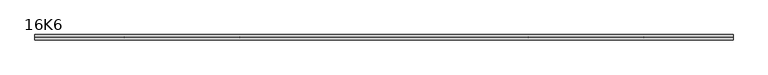
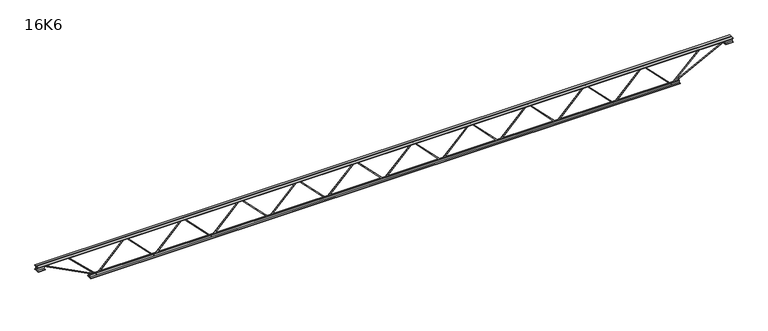
"""IFC4 building model written with IfcOpenShell, lengths in millimetres: beam geometry, 16K6."""

from ifc_helpers import new_model, si_unit, frame, origin, place, context, project, spatial, polyline, outline, extrude, source, transform, mapped, element, save


def beam_16k6_747feb70(model_context):
    return source(origin(), model_context, "Body", "SweptSolid", [
        extrude(outline(polyline([(-191.9, 2334.3), (-201.4, 2334.3), (-201.4, 2339.4806286), (191.9, 2722.1806286), (191.9, 2724.5193714), (-201.4, 3107.2193714), (-201.4, 3112.4), (-191.9, 3112.4), (-191.9, 3111.2306286), (201.4, 2728.5306286), (201.4, 2718.1693714), (-191.9, 2335.4693714), (-191.9, 2334.3)])), frame((0.0, -4.75, 0.0), z_axis=(0.0, 1.0, 0.0), x_axis=(0.0, 0.0, 1.0)), (0.0, 0.0, 1.0), 9.5),
        extrude(outline(polyline([(-191.9, 1556.2), (-201.4, 1556.2), (-201.4, 1561.3806286), (191.9, 1944.0806286), (191.9, 1946.4193714), (-201.4, 2329.1193714), (-201.4, 2334.3), (-191.9, 2334.3), (-191.9, 2333.1306286), (201.4, 1950.4306286), (201.4, 1940.0693714), (-191.9, 1557.3693714), (-191.9, 1556.2)])), frame((0.0, -4.75, 0.0), z_axis=(0.0, 1.0, 0.0), x_axis=(0.0, 0.0, 1.0)), (0.0, 0.0, 1.0), 9.5),
        extrude(outline(polyline([(-191.9, 778.1), (-201.4, 778.1), (-201.4, 783.2806286), (191.9, 1165.9806286), (191.9, 1168.3193714), (-201.4, 1551.0193714), (-201.4, 1556.2), (-191.9, 1556.2), (-191.9, 1555.0306286), (201.4, 1172.3306286), (201.4, 1161.9693714), (-191.9, 779.2693714), (-191.9, 778.1)])), frame((0.0, -4.75, 0.0), z_axis=(0.0, 1.0, 0.0), x_axis=(0.0, 0.0, 1.0)), (0.0, 0.0, 1.0), 9.5),
        extrude(outline(polyline([(-191.9, 0.0), (-201.4, 0.0), (-201.4, 5.1806286), (191.9, 387.8806286), (191.9, 390.2193714), (-201.4, 772.9193714), (-201.4, 778.1), (-191.9, 778.1), (-191.9, 776.9306286), (201.4, 394.2306286), (201.4, 383.8693714), (-191.9, 1.1693714), (-191.9, 0.0)])), frame((0.0, -4.75, 0.0), z_axis=(0.0, 1.0, 0.0), x_axis=(0.0, 0.0, 1.0)), (0.0, 0.0, 1.0), 9.5),
        extrude(outline(polyline([(-191.9, -778.1), (-201.4, -778.1), (-201.4, -772.9193714), (191.9, -390.2193714), (191.9, -387.8806286), (-201.4, -5.1806286), (-201.4, 0.0), (-191.9, 0.0), (-191.9, -1.1693714), (201.4, -383.8693714), (201.4, -394.2306286), (-191.9, -776.9306286), (-191.9, -778.1)])), frame((0.0, -4.75, 0.0), z_axis=(0.0, 1.0, 0.0), x_axis=(0.0, 0.0, 1.0)), (0.0, 0.0, 1.0), 9.5),
        extrude(outline(polyline([(-191.9, -1556.2), (-201.4, -1556.2), (-201.4, -1551.0193714), (191.9, -1168.3193714), (191.9, -1165.9806286), (-201.4, -783.2806286), (-201.4, -778.1), (-191.9, -778.1), (-191.9, -779.2693714), (201.4, -1161.9693714), (201.4, -1172.3306286), (-191.9, -1555.0306286), (-191.9, -1556.2)])), frame((0.0, -4.75, 0.0), z_axis=(0.0, 1.0, 0.0), x_axis=(0.0, 0.0, 1.0)), (0.0, 0.0, 1.0), 9.5),
        extrude(outline(polyline([(-191.9, -2334.3), (-201.4, -2334.3), (-201.4, -2329.1193714), (191.9, -1946.4193714), (191.9, -1944.0806286), (-201.4, -1561.3806286), (-201.4, -1556.2), (-191.9, -1556.2), (-191.9, -1557.3693714), (201.4, -1940.0693714), (201.4, -1950.4306286), (-191.9, -2333.1306286), (-191.9, -2334.3)])), frame((0.0, -4.75, 0.0), z_axis=(0.0, 1.0, 0.0), x_axis=(0.0, 0.0, 1.0)), (0.0, 0.0, 1.0), 9.5),
        extrude(outline(polyline([(-191.9, -3112.4), (-201.4, -3112.4), (-201.4, -3107.2193714), (191.9, -2724.5193714), (191.9, -2722.1806286), (-201.4, -2339.4806286), (-201.4, -2334.3), (-191.9, -2334.3), (-191.9, -2335.4693714), (201.4, -2718.1693714), (201.4, -2728.5306286), (-191.9, -3111.2306286), (-191.9, -3112.4)])), frame((0.0, -4.75, 0.0), z_axis=(0.0, 1.0, 0.0), x_axis=(0.0, 0.0, 1.0)), (0.0, 0.0, 1.0), 9.5),
        extrude(outline(polyline([(-191.9, 3112.4), (-201.4, 3112.4), (-201.4, 3117.5806286), (191.9, 3500.2806286), (191.9, 3502.6193714), (-201.4, 3885.3193714), (-201.4, 3890.5), (-191.9, 3890.5), (-191.9, 3889.3306286), (201.4, 3506.6306286), (201.4, 3496.2693714), (-191.9, 3113.5693714), (-191.9, 3112.4)])), frame((0.0, -4.75, 0.0), z_axis=(0.0, 1.0, 0.0), x_axis=(0.0, 0.0, 1.0)), (0.0, 0.0, 1.0), 9.5),
        extrude(outline(polyline([(-191.9, -3890.5), (-201.4, -3890.5), (-201.4, -3885.3193714), (191.9, -3502.6193714), (191.9, -3500.2806286), (-201.4, -3117.5806286), (-201.4, -3112.4), (-191.9, -3112.4), (-191.9, -3113.5693714), (201.4, -3496.2693714), (201.4, -3506.6306286), (-191.9, -3889.3306286), (-191.9, -3890.5)])), frame((0.0, -4.75, 0.0), z_axis=(0.0, 1.0, 0.0), x_axis=(0.0, 0.0, 1.0)), (0.0, 0.0, 1.0), 9.5),
        extrude(outline(polyline([(4.75, 203.0), (36.75, 203.0), (36.75, 196.5), (11.25, 196.5), (11.25, 171.0), (4.75, 171.0), (4.75, 203.0)])), frame((-4702.5, 0.0, 0.0), z_axis=(1.0, 0.0, 0.0), x_axis=(0.0, 1.0, 0.0)), (0.0, 0.0, 1.0), 9405.0),
        extrude(outline(polyline([(-4.75, 203.0), (-4.75, 171.0), (-11.25, 171.0), (-11.25, 196.5), (-36.75, 196.5), (-36.75, 203.0), (-4.75, 203.0)])), frame((-4702.5, 0.0, 0.0), z_axis=(1.0, 0.0, 0.0), x_axis=(0.0, 1.0, 0.0)), (0.0, 0.0, 1.0), 9405.0),
        extrude(outline(polyline([(-4.75, 139.5), (-36.75, 139.5), (-36.75, 146.0), (-11.25, 146.0), (-11.25, 171.0), (-4.75, 171.0), (-4.75, 139.5)])), frame((-4702.5, 0.0, 0.0), z_axis=(1.0, 0.0, 0.0), x_axis=(0.0, 1.0, 0.0)), (0.0, 0.0, 1.0), 100.0),
        extrude(outline(polyline([(36.75, 139.5), (4.75, 139.5), (4.75, 171.0), (11.25, 171.0), (11.25, 146.0), (36.75, 146.0), (36.75, 139.5)])), frame((-4702.5, 0.0, 0.0), z_axis=(1.0, 0.0, 0.0), x_axis=(0.0, 1.0, 0.0)), (0.0, 0.0, 1.0), 100.0),
        extrude(outline(polyline([(4.75, 139.5), (4.75, 171.0), (11.25, 171.0), (11.25, 146.0), (36.75, 146.0), (36.75, 139.5), (4.75, 139.5)])), frame((4602.5, 0.0, 0.0), z_axis=(1.0, 0.0, 0.0), x_axis=(0.0, 1.0, 0.0)), (0.0, 0.0, 1.0), 100.0),
        extrude(outline(polyline([(-4.75, 139.5), (-36.75, 139.5), (-36.75, 146.0), (-11.25, 146.0), (-11.25, 171.0), (-4.75, 171.0), (-4.75, 139.5)])), frame((4602.5, 0.0, 0.0), z_axis=(1.0, 0.0, 0.0), x_axis=(0.0, 1.0, 0.0)), (0.0, 0.0, 1.0), 100.0),
        extrude(outline(polyline([(4.75, -203.0), (4.75, -171.0), (11.25, -171.0), (11.25, -196.5), (36.75, -196.5), (36.75, -203.0), (4.75, -203.0)])), frame((-3990.5, 0.0, 0.0), z_axis=(1.0, 0.0, 0.0), x_axis=(0.0, 1.0, 0.0)), (0.0, 0.0, 1.0), 7981.0),
        extrude(outline(polyline([(-4.75, -203.0), (-36.75, -203.0), (-36.75, -196.5), (-11.25, -196.5), (-11.25, -171.0), (-4.75, -171.0), (-4.75, -203.0)])), frame((-3990.5, 0.0, 0.0), z_axis=(1.0, 0.0, 0.0), x_axis=(0.0, 1.0, 0.0)), (0.0, 0.0, 1.0), 7981.0),
        extrude(outline(polyline([(-200.8705467, -3892.6793315), (-192.4294533, -3888.3206685), (175.75, -4601.3460208), (175.75, -4702.5), (166.25, -4702.5), (166.25, -4603.6539792), (-200.8705467, -3892.6793315)])), frame((0.0, -4.75, 0.0), z_axis=(0.0, 1.0, 0.0), x_axis=(0.0, 0.0, 1.0)), (0.0, 0.0, 1.0), 9.5),
        extrude(outline(polyline([(188.7, -4299.5071429), (179.2, -4299.5071429), (179.2, -4288.7186426), (-200.0759629, -3893.7901791), (-193.2240371, -3887.2098209), (188.7, -4284.8956432), (188.7, -4299.5071429)])), frame((0.0, -4.75, 0.0), z_axis=(0.0, 1.0, 0.0), x_axis=(0.0, 0.0, 1.0)), (0.0, 0.0, 1.0), 9.5),
        extrude(outline(polyline([(0.0, -9.5), (0.0, 0.0), (801.3179909, 0.0), (801.3179909, -9.5), (0.0, -9.5)])), frame((4604.6793315, -4.75, 166.7794533), z_axis=(-0.4588066213244953, 0.0, 0.8885361468329812), x_axis=(-0.8885361468329812, 0.0, -0.4588066213244953)), (0.0, 0.0, 1.0), 9.5),
        extrude(outline(polyline([(0.0, -9.5), (0.0, 0.0), (563.5148824, 0.0), (563.5148824, -9.5), (0.0, -9.5)])), frame((4297.3795043, -4.75, 193.2482613), z_axis=(-0.6979407505869291, 0.0, 0.7161555059274167), x_axis=(-0.7161555059274167, 0.0, -0.6979407505869291)), (0.0, 0.0, 1.0), 9.5),
    ])


if __name__ == "__main__":
    model = new_model("IFC4")
    model_context = context("Model", 3, world=origin())
    ifc_project = project(units=[si_unit("LENGTHUNIT", "METRE", prefix="MILLI")], contexts=[model_context])
    site = spatial("IfcSite", under=ifc_project)
    building = spatial("IfcBuilding", under=site)
    placement = place(None, origin())
    beam_16k6_shape = beam_16k6_747feb70(model_context)
    element("IfcBeam", 1, ObjectType="16K6", at=placement, inside=building, context=model_context, shape_type="MappedRepresentation", body=[
        mapped(beam_16k6_shape, transform((0.0, 0.0, 0.0), x_axis=(1.0, 0.0, 0.0), y_axis=(0.0, 1.0, 0.0), z_axis=(0.0, 0.0, 1.0))),
    ])
    save(model, "model.ifc")
